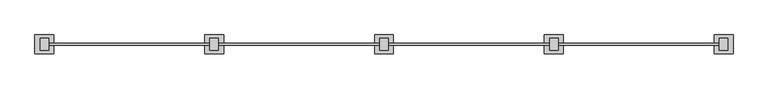
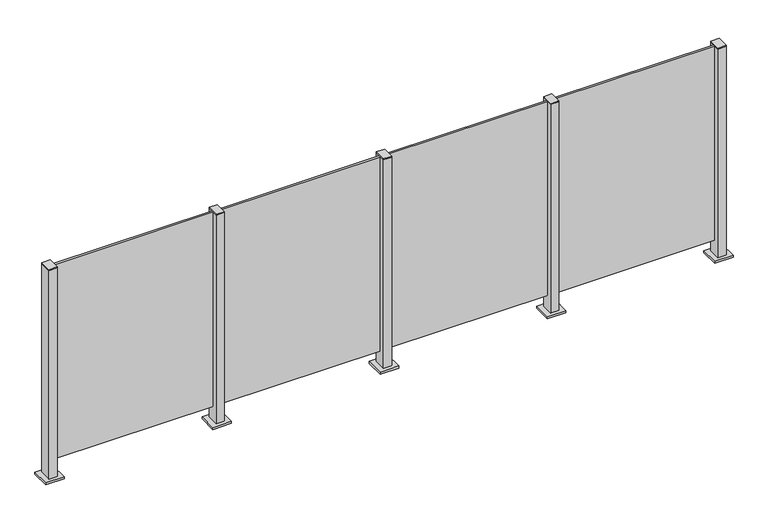
"""IFC4 building model written with IfcOpenShell, lengths in millimetres: railing geometry."""

from ifc_helpers import new_model, si_unit, frame, origin, origin_with_axes, place, context, project, spatial, polyline, outline, extrude, source, transform, mapped, element, save


def railing_ce39364d(model_context):
    return source(origin(), model_context, "Body", "SweptSolid", [
        extrude(outline(polyline([(62710.0, 5195.9598727), (63590.0, 5195.9598727), (63590.0, 5185.9598727), (62710.0, 5185.9598727), (62710.0, 5195.9598727)])), frame((0.0, 0.0, 95.0), z_axis=(0.0, 0.0, 1.0), x_axis=(1.0, 0.0, 0.0)), (0.0, 0.0, 1.0), 1105.0),
        extrude(outline(polyline([(62722.5, 5157.6846828), (62677.5, 5157.6846828), (62677.5, 5222.6846828), (62722.5, 5222.6846828), (62722.5, 5157.6846828)])), frame((0.0, 0.0, 1200.0), z_axis=(0.0, 0.0, 1.0), x_axis=(1.0, 0.0, 0.0)), (0.0, 0.0, 1.0), 5.0),
        extrude(outline(polyline([(62750.0, 5140.1846828), (62650.0, 5140.1846828), (62650.0, 5240.1846828), (62750.0, 5240.1846828), (62750.0, 5140.1846828)])), origin_with_axes(), (0.0, 0.0, 1.0), 12.0),
        extrude(outline(polyline([(62722.5, 5157.6846828), (62677.5, 5157.6846828), (62677.5, 5222.6846828), (62722.5, 5222.6846828), (62722.5, 5157.6846828)])), frame((0.0, 0.0, 12.0), z_axis=(0.0, 0.0, 1.0), x_axis=(1.0, 0.0, 0.0)), (0.0, 0.0, 1.0), 1188.0),
        extrude(outline(polyline([(61810.0, 5195.9598727), (62690.0, 5195.9598727), (62690.0, 5185.9598727), (61810.0, 5185.9598727), (61810.0, 5195.9598727)])), frame((0.0, 0.0, 95.0), z_axis=(0.0, 0.0, 1.0), x_axis=(1.0, 0.0, 0.0)), (0.0, 0.0, 1.0), 1105.0),
        extrude(outline(polyline([(61822.5, 5157.6846828), (61777.5, 5157.6846828), (61777.5, 5222.6846828), (61822.5, 5222.6846828), (61822.5, 5157.6846828)])), frame((0.0, 0.0, 1200.0), z_axis=(0.0, 0.0, 1.0), x_axis=(1.0, 0.0, 0.0)), (0.0, 0.0, 1.0), 5.0),
        extrude(outline(polyline([(61850.0, 5140.1846828), (61750.0, 5140.1846828), (61750.0, 5240.1846828), (61850.0, 5240.1846828), (61850.0, 5140.1846828)])), origin_with_axes(), (0.0, 0.0, 1.0), 12.0),
        extrude(outline(polyline([(61822.5, 5157.6846828), (61777.5, 5157.6846828), (61777.5, 5222.6846828), (61822.5, 5222.6846828), (61822.5, 5157.6846828)])), frame((0.0, 0.0, 12.0), z_axis=(0.0, 0.0, 1.0), x_axis=(1.0, 0.0, 0.0)), (0.0, 0.0, 1.0), 1188.0),
        extrude(outline(polyline([(60910.0, 5195.9598727), (61790.0, 5195.9598727), (61790.0, 5185.9598727), (60910.0, 5185.9598727), (60910.0, 5195.9598727)])), frame((0.0, 0.0, 95.0), z_axis=(0.0, 0.0, 1.0), x_axis=(1.0, 0.0, 0.0)), (0.0, 0.0, 1.0), 1105.0),
        extrude(outline(polyline([(60922.5, 5157.6846828), (60877.5, 5157.6846828), (60877.5, 5222.6846828), (60922.5, 5222.6846828), (60922.5, 5157.6846828)])), frame((0.0, 0.0, 1200.0), z_axis=(0.0, 0.0, 1.0), x_axis=(1.0, 0.0, 0.0)), (0.0, 0.0, 1.0), 5.0),
        extrude(outline(polyline([(60950.0, 5140.1846828), (60850.0, 5140.1846828), (60850.0, 5240.1846828), (60950.0, 5240.1846828), (60950.0, 5140.1846828)])), origin_with_axes(), (0.0, 0.0, 1.0), 12.0),
        extrude(outline(polyline([(60922.5, 5157.6846828), (60877.5, 5157.6846828), (60877.5, 5222.6846828), (60922.5, 5222.6846828), (60922.5, 5157.6846828)])), frame((0.0, 0.0, 12.0), z_axis=(0.0, 0.0, 1.0), x_axis=(1.0, 0.0, 0.0)), (0.0, 0.0, 1.0), 1188.0),
        extrude(outline(polyline([(60010.0, 5195.9598727), (60890.0, 5195.9598727), (60890.0, 5185.9598727), (60010.0, 5185.9598727), (60010.0, 5195.9598727)])), frame((0.0, 0.0, 95.0), z_axis=(0.0, 0.0, 1.0), x_axis=(1.0, 0.0, 0.0)), (0.0, 0.0, 1.0), 1105.0),
        extrude(outline(polyline([(63622.5, 5157.6846828), (63577.5, 5157.6846828), (63577.5, 5222.6846828), (63622.5, 5222.6846828), (63622.5, 5157.6846828)])), frame((0.0, 0.0, 1200.0), z_axis=(0.0, 0.0, 1.0), x_axis=(1.0, 0.0, 0.0)), (0.0, 0.0, 1.0), 5.0),
        extrude(outline(polyline([(63650.0, 5140.1846828), (63550.0, 5140.1846828), (63550.0, 5240.1846828), (63650.0, 5240.1846828), (63650.0, 5140.1846828)])), origin_with_axes(), (0.0, 0.0, 1.0), 12.0),
        extrude(outline(polyline([(63622.5, 5157.6846828), (63577.5, 5157.6846828), (63577.5, 5222.6846828), (63622.5, 5222.6846828), (63622.5, 5157.6846828)])), frame((0.0, 0.0, 12.0), z_axis=(0.0, 0.0, 1.0), x_axis=(1.0, 0.0, 0.0)), (0.0, 0.0, 1.0), 1188.0),
        extrude(outline(polyline([(60022.5, 5157.6846828), (59977.5, 5157.6846828), (59977.5, 5222.6846828), (60022.5, 5222.6846828), (60022.5, 5157.6846828)])), frame((0.0, 0.0, 1200.0), z_axis=(0.0, 0.0, 1.0), x_axis=(1.0, 0.0, 0.0)), (0.0, 0.0, 1.0), 5.0),
        extrude(outline(polyline([(60050.0, 5140.1846828), (59950.0, 5140.1846828), (59950.0, 5240.1846828), (60050.0, 5240.1846828), (60050.0, 5140.1846828)])), origin_with_axes(), (0.0, 0.0, 1.0), 12.0),
        extrude(outline(polyline([(60022.5, 5157.6846828), (59977.5, 5157.6846828), (59977.5, 5222.6846828), (60022.5, 5222.6846828), (60022.5, 5157.6846828)])), frame((0.0, 0.0, 12.0), z_axis=(0.0, 0.0, 1.0), x_axis=(1.0, 0.0, 0.0)), (0.0, 0.0, 1.0), 1188.0),
    ])


if __name__ == "__main__":
    model = new_model("IFC4")
    model_context = context("Model", 3, world=origin())
    ifc_project = project(units=[si_unit("LENGTHUNIT", "METRE", prefix="MILLI")], contexts=[model_context])
    site = spatial("IfcSite", under=ifc_project)
    building = spatial("IfcBuilding", under=site)
    placement = place(None, origin())
    railing_shape = railing_ce39364d(model_context)
    element("IfcRailing", 1, at=placement, inside=building, context=model_context, shape_type="MappedRepresentation", body=[
        mapped(railing_shape, transform((0.0, 0.0, 0.0), x_axis=(1.0, 0.0, 0.0), y_axis=(0.0, 1.0, 0.0), z_axis=(0.0, 0.0, 1.0))),
    ])
    save(model, "model.ifc")
